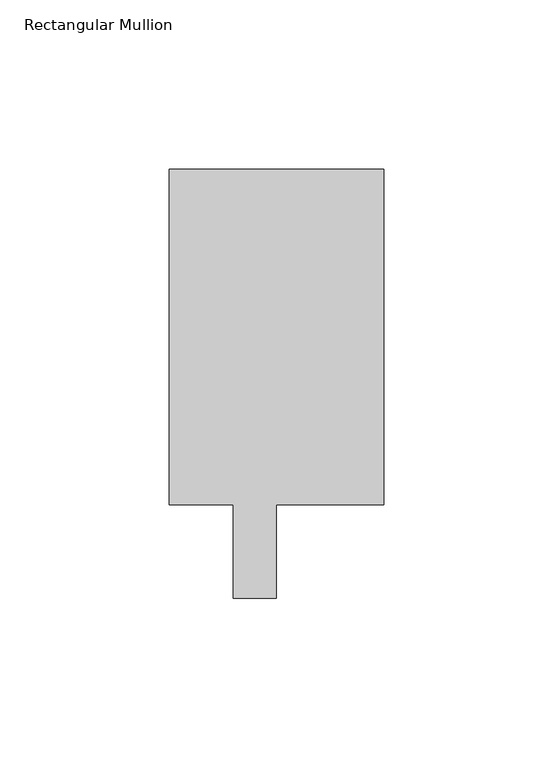
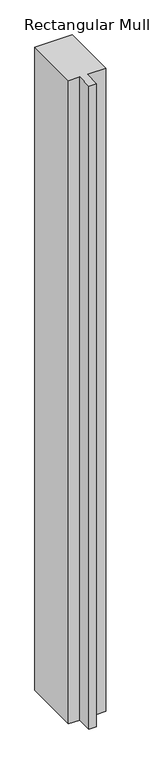
"""IFC4 building model written with IfcOpenShell, lengths in millimetres: member geometry, Rectangular Mullion."""

from ifc_helpers import new_model, si_unit, frame, origin, place, context, project, spatial, polyline, outline, extrude, source, transform, mapped, element, save


def rectangular_mullion_806ee3d7(model_context):
    return source(origin(), model_context, "Body", "SweptSolid", [
        extrude(outline(polyline([(31.75, 138.7038437), (31.75, 39.3898437), (0.0, 39.3898437), (0.0, 11.7038437), (-12.7, 11.7038437), (-12.7, 39.3898437), (-31.75, 39.3898437), (-31.75, 138.7038437), (31.75, 138.7038437)])), frame((0.0, 0.0, -1162.05), z_axis=(0.0, 0.0, 1.0), x_axis=(1.0, 0.0, 0.0)), (0.0, 0.0, 1.0), 1162.05),
    ])


if __name__ == "__main__":
    model = new_model("IFC4")
    model_context = context("Model", 3, world=origin())
    ifc_project = project(units=[si_unit("LENGTHUNIT", "METRE", prefix="MILLI")], contexts=[model_context])
    site = spatial("IfcSite", under=ifc_project)
    building = spatial("IfcBuilding", under=site)
    placement = place(None, origin())
    rectangular_mullion_shape = rectangular_mullion_806ee3d7(model_context)
    element("IfcMember", 1, ObjectType="Rectangular Mullion", at=placement, inside=building, context=model_context, shape_type="MappedRepresentation", body=[
        mapped(rectangular_mullion_shape, transform((0.0, 0.0, 0.0), x_axis=(1.0, 0.0, 0.0), y_axis=(0.0, 1.0, 0.0), z_axis=(0.0, 0.0, 1.0))),
    ])
    save(model, "model.ifc")
